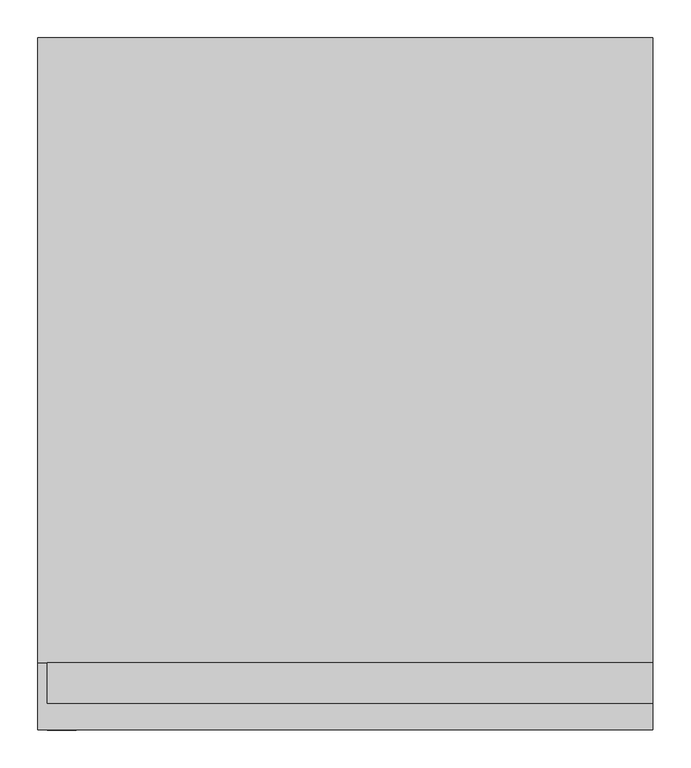
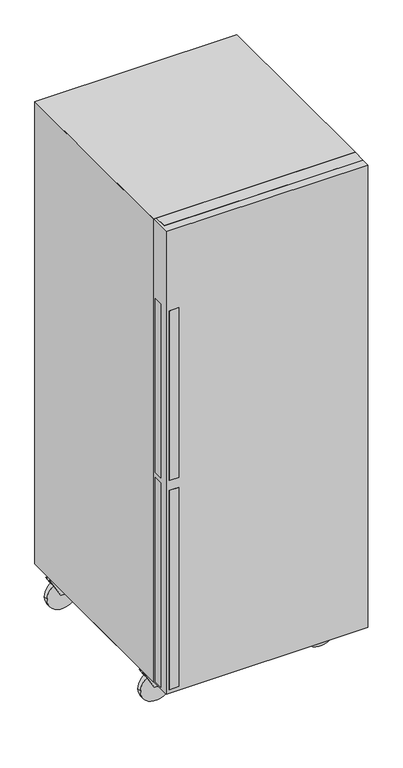
"""IFC4 building model written with IfcOpenShell, lengths in millimetres: proxy geometry."""

from ifc_helpers import new_model, si_unit, point, frame, frame_2d, origin, place, context, project, spatial, polyline, circle_curve, trimmed, segment, composite_curve, outline, extrude, source, transform, mapped, element, save


def specialty_equipment_0d36417b(model_context):
    return source(origin(), model_context, "Body", "SweptSolid", [
        extrude(outline(polyline([(138.1125, 386.4369483), (138.1125, 273.7244483), (60.3746094, 319.7123389), (60.3746094, 332.4123389), (138.1125, 386.4369483)])), frame((0.0, 402.8738249, 0.0), z_axis=(0.0, 1.0, 0.0), x_axis=(0.0, 0.0, 1.0)), (0.0, 0.0, 1.0), 3.175),
        extrude(outline(polyline([(138.1125, 386.4369483), (138.1125, 273.7244483), (60.3746094, 319.7123389), (60.3746094, 332.4123389), (138.1125, 386.4369483)])), frame((0.0, 380.6488249, 0.0), z_axis=(0.0, 1.0, 0.0), x_axis=(0.0, 0.0, 1.0)), (0.0, 0.0, 1.0), 3.175),
        extrude(outline(composite_curve([segment(trimmed(circle_curve(frame_2d((60.3746094, 326.0623389)), 60.3746094), [point((60.3746094, 386.4369483))], [point((60.3746094, 265.6877295))], False, "CARTESIAN"), True, "CONTINUOUS"), segment(trimmed(circle_curve(frame_2d((60.3746094, 326.0623389)), 60.3746094), [point((60.3746094, 265.6877295))], [point((60.3746094, 386.4369483))], False, "CARTESIAN"), True, "CONTINUOUS")], self_intersect=False)), frame((0.0, 383.8238249, 0.0), z_axis=(0.0, 1.0, 0.0), x_axis=(0.0, 0.0, 1.0)), (0.0, 0.0, 1.0), 19.05),
        extrude(outline(composite_curve([segment(polyline([(361.0369483, 342.5488249), (310.2369483, 342.5488249)]), True, "CONTINUOUS"), segment(trimmed(circle_curve(frame_2d((310.2369483, 367.9488249)), 25.4), [point((310.2369483, 342.5488249))], [point((284.8369483, 367.9488249))], False, "CARTESIAN"), True, "CONTINUOUS"), segment(polyline([(284.8369483, 367.9488249), (284.8369483, 418.7488249)]), True, "CONTINUOUS"), segment(trimmed(circle_curve(frame_2d((310.2369483, 418.7488249)), 25.4), [point((284.8369483, 418.7488249))], [point((310.2369483, 444.1488249))], False, "CARTESIAN"), True, "CONTINUOUS"), segment(polyline([(310.2369483, 444.1488249), (361.0369483, 444.1488249)]), True, "CONTINUOUS"), segment(trimmed(circle_curve(frame_2d((361.0369483, 418.7488249)), 25.4), [point((361.0369483, 444.1488249))], [point((386.4369483, 418.7488249))], False, "CARTESIAN"), True, "CONTINUOUS"), segment(polyline([(386.4369483, 418.7488249), (386.4369483, 367.9488249)]), True, "CONTINUOUS"), segment(trimmed(circle_curve(frame_2d((361.0369483, 367.9488249)), 25.4), [point((386.4369483, 367.9488249))], [point((361.0369483, 342.5488249))], False, "CARTESIAN"), True, "CONTINUOUS")], self_intersect=False)), frame((0.0, 0.0, 138.1125), z_axis=(0.0, 0.0, 1.0), x_axis=(1.0, 0.0, 0.0)), (0.0, 0.0, 1.0), 25.4),
        extrude(outline(polyline([(138.1125, -282.7574726), (138.1125, -395.4699726), (60.3746094, -349.482082), (60.3746094, -336.782082), (138.1125, -282.7574726)])), frame((0.0, 396.4804387, 0.0), z_axis=(0.0, 1.0, 0.0), x_axis=(0.0, 0.0, 1.0)), (0.0, 0.0, 1.0), 3.175),
        extrude(outline(polyline([(138.1125, -282.7574726), (138.1125, -395.4699726), (60.3746094, -349.482082), (60.3746094, -336.782082), (138.1125, -282.7574726)])), frame((0.0, 374.2554387, 0.0), z_axis=(0.0, 1.0, 0.0), x_axis=(0.0, 0.0, 1.0)), (0.0, 0.0, 1.0), 3.175),
        extrude(outline(composite_curve([segment(trimmed(circle_curve(frame_2d((60.3746094, -343.132082)), 60.3746094), [point((60.3746094, -282.7574726))], [point((60.3746094, -403.5066914))], False, "CARTESIAN"), True, "CONTINUOUS"), segment(trimmed(circle_curve(frame_2d((60.3746094, -343.132082)), 60.3746094), [point((60.3746094, -403.5066914))], [point((60.3746094, -282.7574726))], False, "CARTESIAN"), True, "CONTINUOUS")], self_intersect=False)), frame((0.0, 377.4304387, 0.0), z_axis=(0.0, 1.0, 0.0), x_axis=(0.0, 0.0, 1.0)), (0.0, 0.0, 1.0), 19.05),
        extrude(outline(composite_curve([segment(polyline([(-308.1574726, 336.1554387), (-358.9574726, 336.1554387)]), True, "CONTINUOUS"), segment(trimmed(circle_curve(frame_2d((-358.9574726, 361.5554387)), 25.4), [point((-358.9574726, 336.1554387))], [point((-384.3574726, 361.5554387))], False, "CARTESIAN"), True, "CONTINUOUS"), segment(polyline([(-384.3574726, 361.5554387), (-384.3574726, 412.3554387)]), True, "CONTINUOUS"), segment(trimmed(circle_curve(frame_2d((-358.9574726, 412.3554387)), 25.4), [point((-384.3574726, 412.3554387))], [point((-358.9574726, 437.7554387))], False, "CARTESIAN"), True, "CONTINUOUS"), segment(polyline([(-358.9574726, 437.7554387), (-308.1574726, 437.7554387)]), True, "CONTINUOUS"), segment(trimmed(circle_curve(frame_2d((-308.1574726, 412.3554387)), 25.4), [point((-308.1574726, 437.7554387))], [point((-282.7574726, 412.3554387))], False, "CARTESIAN"), True, "CONTINUOUS"), segment(polyline([(-282.7574726, 412.3554387), (-282.7574726, 361.5554387)]), True, "CONTINUOUS"), segment(trimmed(circle_curve(frame_2d((-308.1574726, 361.5554387)), 25.4), [point((-282.7574726, 361.5554387))], [point((-308.1574726, 336.1554387))], False, "CARTESIAN"), True, "CONTINUOUS")], self_intersect=False)), frame((0.0, 0.0, 138.1125), z_axis=(0.0, 0.0, 1.0), x_axis=(1.0, 0.0, 0.0)), (0.0, 0.0, 1.0), 25.4),
        extrude(outline(polyline([(138.1125, 383.6131234), (138.1125, 270.9006234), (60.3746094, 316.888514), (60.3746094, 329.588514), (138.1125, 383.6131234)])), frame((0.0, -250.825, 0.0), z_axis=(0.0, 1.0, 0.0), x_axis=(0.0, 0.0, 1.0)), (0.0, 0.0, 1.0), 3.175),
        extrude(outline(polyline([(138.1125, 383.6131234), (138.1125, 270.9006234), (60.3746094, 316.888514), (60.3746094, 329.588514), (138.1125, 383.6131234)])), frame((0.0, -273.05, 0.0), z_axis=(0.0, 1.0, 0.0), x_axis=(0.0, 0.0, 1.0)), (0.0, 0.0, 1.0), 3.175),
        extrude(outline(composite_curve([segment(trimmed(circle_curve(frame_2d((60.3746094, 323.238514)), 60.3746094), [point((60.3746094, 383.6131234))], [point((60.3746094, 262.8639046))], False, "CARTESIAN"), True, "CONTINUOUS"), segment(trimmed(circle_curve(frame_2d((60.3746094, 323.238514)), 60.3746094), [point((60.3746094, 262.8639046))], [point((60.3746094, 383.6131234))], False, "CARTESIAN"), True, "CONTINUOUS")], self_intersect=False)), frame((0.0, -269.875, 0.0), z_axis=(0.0, 1.0, 0.0), x_axis=(0.0, 0.0, 1.0)), (0.0, 0.0, 1.0), 19.05),
        extrude(outline(composite_curve([segment(polyline([(358.2131234, -311.15), (307.4131234, -311.15)]), True, "CONTINUOUS"), segment(trimmed(circle_curve(frame_2d((307.4131234, -285.75)), 25.4), [point((307.4131234, -311.15))], [point((282.0131234, -285.75))], False, "CARTESIAN"), True, "CONTINUOUS"), segment(polyline([(282.0131234, -285.75), (282.0131234, -234.95)]), True, "CONTINUOUS"), segment(trimmed(circle_curve(frame_2d((307.4131234, -234.95)), 25.4), [point((282.0131234, -234.95))], [point((307.4131234, -209.55))], False, "CARTESIAN"), True, "CONTINUOUS"), segment(polyline([(307.4131234, -209.55), (358.2131234, -209.55)]), True, "CONTINUOUS"), segment(trimmed(circle_curve(frame_2d((358.2131234, -234.95)), 25.4), [point((358.2131234, -209.55))], [point((383.6131234, -234.95))], False, "CARTESIAN"), True, "CONTINUOUS"), segment(polyline([(383.6131234, -234.95), (383.6131234, -285.75)]), True, "CONTINUOUS"), segment(trimmed(circle_curve(frame_2d((358.2131234, -285.75)), 25.4), [point((383.6131234, -285.75))], [point((358.2131234, -311.15))], False, "CARTESIAN"), True, "CONTINUOUS")], self_intersect=False)), frame((0.0, 0.0, 138.1125), z_axis=(0.0, 0.0, 1.0), x_axis=(1.0, 0.0, 0.0)), (0.0, 0.0, 1.0), 25.4),
        extrude(outline(polyline([(138.1125, -279.9618766), (138.1125, -392.6743766), (60.3746094, -346.686486), (60.3746094, -333.986486), (138.1125, -279.9618766)])), frame((0.0, -250.825, 0.0), z_axis=(0.0, 1.0, 0.0), x_axis=(0.0, 0.0, 1.0)), (0.0, 0.0, 1.0), 3.175),
        extrude(outline(polyline([(138.1125, -279.9618766), (138.1125, -392.6743766), (60.3746094, -346.686486), (60.3746094, -333.986486), (138.1125, -279.9618766)])), frame((0.0, -273.05, 0.0), z_axis=(0.0, 1.0, 0.0), x_axis=(0.0, 0.0, 1.0)), (0.0, 0.0, 1.0), 3.175),
        extrude(outline(composite_curve([segment(trimmed(circle_curve(frame_2d((60.3746094, -340.336486)), 60.3746094), [point((60.3746094, -279.9618766))], [point((60.3746094, -400.7110954))], False, "CARTESIAN"), True, "CONTINUOUS"), segment(trimmed(circle_curve(frame_2d((60.3746094, -340.336486)), 60.3746094), [point((60.3746094, -400.7110954))], [point((60.3746094, -279.9618766))], False, "CARTESIAN"), True, "CONTINUOUS")], self_intersect=False)), frame((0.0, -269.875, 0.0), z_axis=(0.0, 1.0, 0.0), x_axis=(0.0, 0.0, 1.0)), (0.0, 0.0, 1.0), 19.05),
        extrude(outline(composite_curve([segment(polyline([(-305.3618766, -311.15), (-356.1618766, -311.15)]), True, "CONTINUOUS"), segment(trimmed(circle_curve(frame_2d((-356.1618766, -285.75)), 25.4), [point((-356.1618766, -311.15))], [point((-381.5618766, -285.75))], False, "CARTESIAN"), True, "CONTINUOUS"), segment(polyline([(-381.5618766, -285.75), (-381.5618766, -234.95)]), True, "CONTINUOUS"), segment(trimmed(circle_curve(frame_2d((-356.1618766, -234.95)), 25.4), [point((-381.5618766, -234.95))], [point((-356.1618766, -209.55))], False, "CARTESIAN"), True, "CONTINUOUS"), segment(polyline([(-356.1618766, -209.55), (-305.3618766, -209.55)]), True, "CONTINUOUS"), segment(trimmed(circle_curve(frame_2d((-305.3618766, -234.95)), 25.4), [point((-305.3618766, -209.55))], [point((-279.9618766, -234.95))], False, "CARTESIAN"), True, "CONTINUOUS"), segment(polyline([(-279.9618766, -234.95), (-279.9618766, -285.75)]), True, "CONTINUOUS"), segment(trimmed(circle_curve(frame_2d((-305.3618766, -285.75)), 25.4), [point((-279.9618766, -285.75))], [point((-305.3618766, -311.15))], False, "CARTESIAN"), True, "CONTINUOUS")], self_intersect=False)), frame((0.0, 0.0, 138.1125), z_axis=(0.0, 0.0, 1.0), x_axis=(1.0, 0.0, 0.0)), (0.0, 0.0, 1.0), 25.4),
        extrude(outline(polyline([(314.518299, -432.164289), (239.0909245, -432.164289), (239.0909245, -429.41875), (314.518299, -429.41875), (314.518299, -432.164289)])), frame((0.0, 0.0, 1831.3522163), z_axis=(0.0, 0.0, 1.0), x_axis=(1.0, 0.0, 0.0)), (0.0, 0.0, 1.0), 37.0935588),
        extrude(outline(polyline([(228.9617111, -431.370539), (153.5343367, -431.370539), (153.5343367, -428.625), (228.9617111, -428.625), (228.9617111, -431.370539)])), frame((0.0, 0.0, 1831.1295201), z_axis=(0.0, 0.0, 1.0), x_axis=(1.0, 0.0, 0.0)), (0.0, 0.0, 1.0), 37.0935588),
        extrude(outline(polyline([(406.4, -428.625), (140.0402844, -428.625), (140.0402844, -422.275), (406.4, -422.275), (406.4, -428.625)])), frame((0.0, 0.0, 1822.2853388), z_axis=(0.0, 0.0, 1.0), x_axis=(1.0, 0.0, 0.0)), (0.0, 0.0, 1.0), 86.899394),
        extrude(outline(polyline([(406.4, -422.275), (-393.7, -422.275), (-393.7, -368.3), (406.4, -368.3), (406.4, -422.275)])), frame((0.0, 0.0, 1809.5853388), z_axis=(0.0, 0.0, 1.0), x_axis=(1.0, 0.0, 0.0)), (0.0, 0.0, 1.0), 324.0146612),
        extrude(outline(polyline([(-457.2, 1027.2481843), (-419.1, 1027.2481843), (-419.1, 1003.5147391), (-444.5159299, 1003.5147391), (-444.5159299, 201.8601974), (-419.1, 201.8601974), (-419.1, 178.8444017), (-457.2, 178.8444017), (-457.2, 1027.2481843)])), frame((-393.7, 0.0, 0.0), z_axis=(1.0, 0.0, 0.0), x_axis=(0.0, 1.0, 0.0)), (0.0, 0.0, 1.0), 38.1),
        extrude(outline(polyline([(-457.2, 1792.5611959), (-419.1, 1792.5611959), (-419.1, 1768.3498257), (-444.5159299, 1768.3498257), (-444.5159299, 1089.9668825), (-419.1, 1089.9668825), (-419.1, 1070.0774561), (-457.2, 1070.0774561), (-457.2, 1792.5611959)])), frame((-393.7, 0.0, 0.0), z_axis=(1.0, 0.0, 0.0), x_axis=(0.0, 1.0, 0.0)), (0.0, 0.0, 1.0), 38.1),
        extrude(outline(polyline([(406.4, -381.0), (330.9726256, -381.0), (330.9726256, -330.2), (406.4, -330.2), (406.4, -381.0)])), frame((0.0, 0.0, 1026.8357514), z_axis=(0.0, 0.0, 1.0), x_axis=(1.0, 0.0, 0.0)), (0.0, 0.0, 1.0), 37.0935588),
        extrude(outline(polyline([(393.7, -381.0), (-393.7, -381.0), (-393.7, -368.3), (393.7, -368.3), (393.7, -381.0)])), frame((0.0, 0.0, 1062.6629034), z_axis=(0.0, 0.0, 1.0), x_axis=(1.0, 0.0, 0.0)), (0.0, 0.0, 1.0), 715.3370966),
        extrude(outline(polyline([(406.4, -419.1), (-406.4, -419.1), (-406.4, -381.0), (406.4, -381.0), (406.4, -419.1)])), frame((0.0, 0.0, 1062.6629034), z_axis=(0.0, 0.0, 1.0), x_axis=(1.0, 0.0, 0.0)), (0.0, 0.0, 1.0), 740.7370966),
        extrude(outline(polyline([(393.7, -381.0), (-393.7, -381.0), (-393.7, -368.3), (393.7, -368.3), (393.7, -381.0)])), frame((0.0, 0.0, 171.1356914), z_axis=(0.0, 0.0, 1.0), x_axis=(1.0, 0.0, 0.0)), (0.0, 0.0, 1.0), 856.1124929),
        extrude(outline(polyline([(406.4, -419.1), (-406.4, -419.1), (-406.4, -381.0), (406.4, -381.0), (406.4, -419.1)])), frame((0.0, 0.0, 171.1356914), z_axis=(0.0, 0.0, 1.0), x_axis=(1.0, 0.0, 0.0)), (0.0, 0.0, 1.0), 870.2643086),
        extrude(outline(polyline([(406.4, 457.2), (406.4, -368.3), (-406.4, -368.3), (-406.4, 457.2), (406.4, 457.2)])), frame((0.0, 0.0, 163.6481843), z_axis=(0.0, 0.0, 1.0), x_axis=(1.0, 0.0, 0.0)), (0.0, 0.0, 1.0), 1969.9518157),
        extrude(outline(polyline([(-406.4, 457.2), (406.4, 457.2), (406.4, -457.2), (-406.4, -457.2), (-406.4, 0.0), (-406.4, 457.2)])), frame((0.0, 0.0, 163.6481843), z_axis=(0.0, 0.0, 1.0), x_axis=(1.0, 0.0, 0.0)), (0.0, 0.0, 1.0), 1969.9518157),
    ])


if __name__ == "__main__":
    model = new_model("IFC4")
    model_context = context("Model", 3, world=origin())
    ifc_project = project(units=[si_unit("LENGTHUNIT", "METRE", prefix="MILLI")], contexts=[model_context])
    site = spatial("IfcSite", under=ifc_project)
    building = spatial("IfcBuilding", under=site)
    placement = place(None, origin())
    specialty_equipment_shape = specialty_equipment_0d36417b(model_context)
    element("IfcBuildingElementProxy", 1, Name="Specialty Equipment", at=placement, inside=building, context=model_context, shape_type="MappedRepresentation", body=[
        mapped(specialty_equipment_shape, transform((0.0, 0.0, 0.0), x_axis=(1.0, 0.0, 0.0), y_axis=(0.0, 1.0, 0.0), z_axis=(0.0, 0.0, 1.0))),
    ])
    save(model, "model.ifc")
